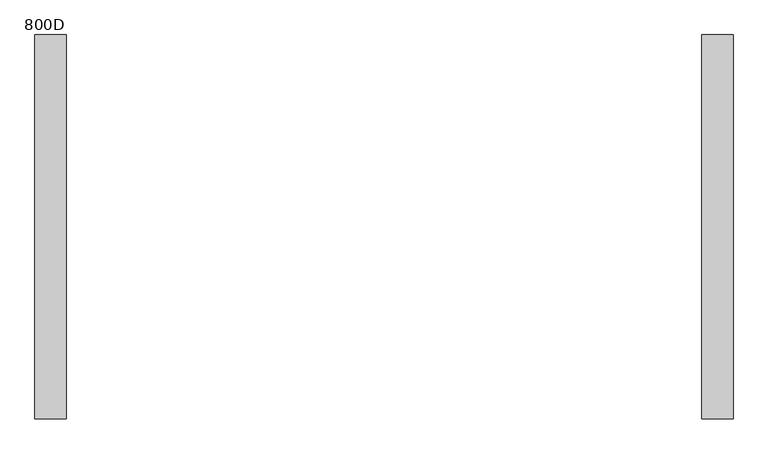
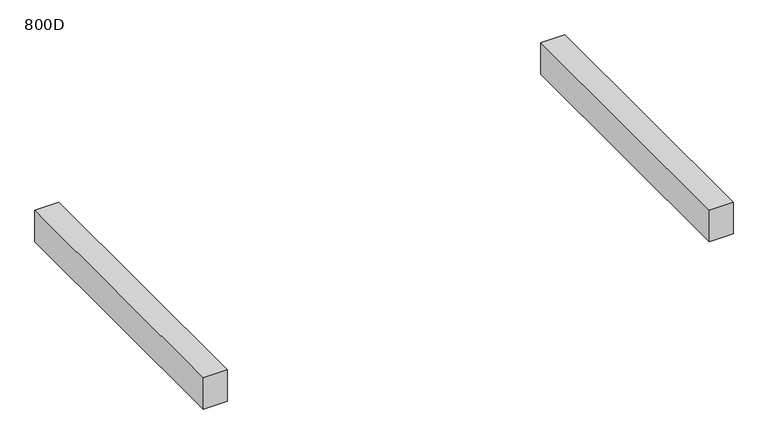
"""IFC4 building model written with IfcOpenShell, lengths in millimetres: furniture geometry, 800D."""

from ifc_helpers import new_model, si_unit, frame, origin, place, context, project, spatial, polyline, outline, extrude, source, transform, mapped, element, save


def furniture_800d_99779ec3(model_context):
    return source(origin(), model_context, "Body", "SweptSolid", [
        extrude(outline(polyline([(-609.9999968, -369.0), (-670.0, -369.0), (-670.0, 369.0), (-609.9999968, 369.0), (-609.9999968, -369.0)])), frame((0.0, 0.0, 435.0), z_axis=(0.0, 0.0, 1.0), x_axis=(1.0, 0.0, 0.0)), (0.0, 0.0, 1.0), 84.0),
        extrude(outline(polyline([(670.0, -369.0), (609.9999968, -369.0), (609.9999968, 369.0), (670.0, 369.0), (670.0, -369.0)])), frame((0.0, 0.0, 435.0), z_axis=(0.0, 0.0, 1.0), x_axis=(1.0, 0.0, 0.0)), (0.0, 0.0, 1.0), 84.0),
    ])


if __name__ == "__main__":
    model = new_model("IFC4")
    model_context = context("Model", 3, world=origin())
    ifc_project = project(units=[si_unit("LENGTHUNIT", "METRE", prefix="MILLI")], contexts=[model_context])
    site = spatial("IfcSite", under=ifc_project)
    building = spatial("IfcBuilding", under=site)
    placement = place(None, origin())
    furniture_800d_shape = furniture_800d_99779ec3(model_context)
    element("IfcFurniture", 1, ObjectType="800D", at=placement, inside=building, context=model_context, shape_type="MappedRepresentation", body=[
        mapped(furniture_800d_shape, transform((0.0, 0.0, 0.0), x_axis=(1.0, 0.0, 0.0), y_axis=(0.0, 1.0, 0.0), z_axis=(0.0, 0.0, 1.0))),
    ])
    save(model, "model.ifc")
